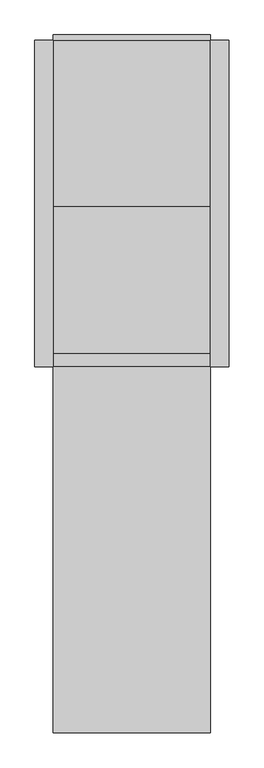
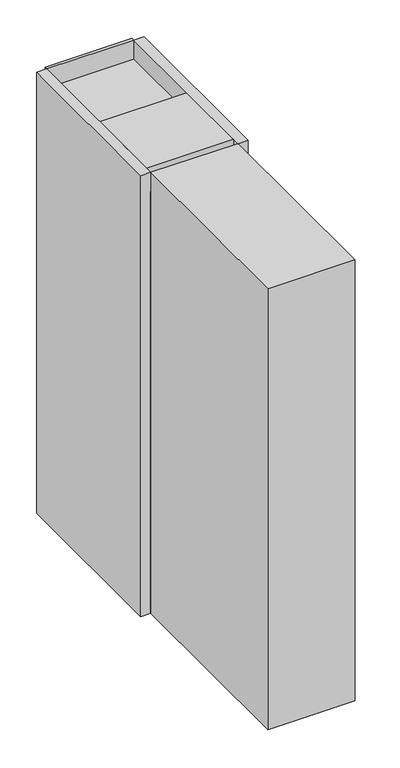
"""IFC4 building model written with IfcOpenShell, lengths in millimetres: proxy geometry."""

from ifc_helpers import new_model, si_unit, frame, origin, origin_with_axes, place, context, project, spatial, polyline, circle_curve, outline, extrude, source, transform, mapped, element, save
from ifc_brep_helpers import plane_surface, revolved_surface, advanced_brep


def electrical_equipment_2723f00b(model_context):
    return source(origin(), model_context, "Body", "SolidModel", [
        extrude(outline(polyline([(215.0, 0.0), (215.0, -890.0), (-215.0, -890.0), (-215.0, 0.0), (215.0, 0.0)])), origin_with_axes(), (0.0, 0.0, 1.0), 2200.0),
        extrude(outline(polyline([(215.0, 0.0), (265.0, 0.0), (265.0, -890.0), (215.0, -890.0), (215.0, 0.0)])), origin_with_axes(), (0.0, 0.0, 1.0), 2300.0),
        extrude(outline(polyline([(-215.0, 0.0), (-215.0, -890.0), (-265.0, -890.0), (-265.0, 0.0), (-215.0, 0.0)])), origin_with_axes(), (0.0, 0.0, 1.0), 2300.0),
        extrude(outline(polyline([(215.0, 0.0), (-215.0, 0.0), (-215.0, 15.0), (215.0, 15.0), (215.0, 0.0)])), origin_with_axes(), (0.0, 0.0, 1.0), 2300.0),
        extrude(outline(polyline([(215.0, -890.0), (215.0, -1890.0), (-215.0, -1890.0), (-215.0, -890.0), (215.0, -890.0)])), origin_with_axes(), (0.0, 0.0, 1.0), 2300.0),
        extrude(outline(polyline([(215.0, -115.0), (215.0, -829.0), (-215.0, -829.0), (-215.0, -115.0), (215.0, -115.0)])), origin_with_axes(), (0.0, 0.0, 1.0), 300.0),
        extrude(outline(polyline([(215.0, 0.0), (215.0, -115.0), (-215.0, -115.0), (-215.0, 0.0), (215.0, 0.0)])), origin_with_axes(), (0.0, 0.0, 1.0), 1800.0),
        extrude(outline(polyline([(-115.0, 1700.0), (-360.0, 1700.0), (-360.0, 1800.0), (-140.0, 1800.0), (-115.0, 1800.0), (-115.0, 1700.0)])), frame((-215.0, 0.0, 0.0), z_axis=(1.0, 0.0, 0.0), x_axis=(0.0, 1.0, 0.0)), (0.0, 0.0, 1.0), 430.0),
        extrude(outline(polyline([(-854.0, 2300.0348011), (-454.0, 2300.0348011), (-454.0, 1780.0348011), (-534.0, 1700.0348011), (-854.0, 1700.0348011), (-854.0, 2300.0348011)])), frame((-215.0, 0.0, 0.0), z_axis=(1.0, 0.0, 0.0), x_axis=(0.0, 1.0, 0.0)), (0.0, 0.0, 1.0), 430.0),
        extrude(outline(polyline([(215.0, -479.0), (215.0, -829.0), (-215.0, -829.0), (-215.0, -479.0), (215.0, -479.0)])), frame((0.0, 0.0, 300.0), z_axis=(0.0, 0.0, 1.0), x_axis=(1.0, 0.0, 0.0)), (0.0, 0.0, 1.0), 490.0348011),
        extrude(outline(polyline([(215.0, -829.0), (215.0, -890.0), (-215.0, -890.0), (-215.0, -829.0), (215.0, -829.0)])), frame((0.0, 0.0, 500.0348011), z_axis=(0.0, 0.0, 1.0), x_axis=(1.0, 0.0, 0.0)), (0.0, 0.0, 1.0), 750.0),
        extrude(outline(polyline([(215.0, -565.0), (215.0, -854.0), (-215.0, -854.0), (-215.0, -565.0), (215.0, -565.0)])), frame((0.0, 0.0, 1250.0348011), z_axis=(0.0, 0.0, 1.0), x_axis=(1.0, 0.0, 0.0)), (0.0, 0.0, 1.0), 450.0),
        extrude(outline(polyline([(-829.0, 1250.0348011), (-565.0, 1250.0348011), (-565.0, 1075.0348011), (-115.0, 1075.0348011), (-115.0, 300.0), (-479.0, 300.0), (-479.0, 790.0348011), (-829.0, 790.0348011), (-829.0, 1250.0348011)])), frame((-215.0, 0.0, 0.0), z_axis=(1.0, 0.0, 0.0), x_axis=(0.0, 1.0, 0.0)), (0.0, 0.0, 1.0), 430.0),
        extrude(outline(polyline([(215.0, -115.0), (215.0, -565.0), (-215.0, -565.0), (-215.0, -115.0), (215.0, -115.0)])), frame((0.0, 0.0, 1075.0348011), z_axis=(0.0, 0.0, 1.0), x_axis=(1.0, 0.0, 0.0)), (0.0, 0.0, 1.0), 400.0),
        advanced_brep(
        [(215.0, -115.0, 1700.0348011), (215.0, -565.0, 1700.0348011), (215.0, -565.0, 1475.0348011), (215.0, -115.0, 1475.0348011), (215.0, -138.0, 1587.5348011), (215.0, -258.0, 1587.5348011), (215.0, -281.0, 1587.5348011), (215.0, -401.0, 1587.5348011), (215.0, -424.0, 1587.5348011), (215.0, -544.0, 1587.5348011), (-215.0, -115.0, 1700.0348011), (-215.0, -115.0, 1475.0348011), (-215.0, -565.0, 1475.0348011), (-215.0, -565.0, 1700.0348011), (-215.0, -258.0, 1587.5348011), (-215.0, -138.0, 1587.5348011), (-215.0, -401.0, 1587.5348011), (-215.0, -281.0, 1587.5348011), (-215.0, -544.0, 1587.5348011), (-215.0, -424.0, 1587.5348011), (184.0222122, -258.0, 1587.5348011), (184.0222122, -138.0, 1587.5348011), (184.0222122, -401.0, 1587.5348011), (184.0222122, -281.0, 1587.5348011), (184.0222122, -544.0, 1587.5348011), (184.0222122, -424.0, 1587.5348011), (-184.0222122, -258.0, 1587.5348011), (-184.0222122, -138.0, 1587.5348011), (-184.0222122, -401.0, 1587.5348011), (-184.0222122, -281.0, 1587.5348011), (-184.0222122, -544.0, 1587.5348011), (-184.0222122, -424.0, 1587.5348011)],
        [
            (0, 1),
            (1, 2),
            (2, 3),
            (3, 0),
            (4, 5, circle_curve(frame((215.0, -198.0, 1587.5348011), z_axis=(-1.0, 0.0, 0.0), x_axis=(0.0, 1.0, 0.0)), 60.0)),
            (5, 4, circle_curve(frame((215.0, -198.0, 1587.5348011), z_axis=(-1.0, 0.0, 0.0), x_axis=(0.0, 1.0, 0.0)), 60.0)),
            (6, 7, circle_curve(frame((215.0, -341.0, 1587.5348011), z_axis=(-1.0, 0.0, 0.0), x_axis=(0.0, 1.0, 0.0)), 60.0)),
            (7, 6, circle_curve(frame((215.0, -341.0, 1587.5348011), z_axis=(-1.0, 0.0, 0.0), x_axis=(0.0, 1.0, 0.0)), 60.0)),
            (8, 9, circle_curve(frame((215.0, -484.0, 1587.5348011), z_axis=(-1.0, 0.0, 0.0), x_axis=(0.0, 1.0, 0.0)), 60.0)),
            (9, 8, circle_curve(frame((215.0, -484.0, 1587.5348011), z_axis=(-1.0, 0.0, 0.0), x_axis=(0.0, 1.0, 0.0)), 60.0)),
            (10, 11),
            (11, 12),
            (12, 13),
            (13, 10),
            (14, 15, circle_curve(frame((-215.0, -198.0, 1587.5348011), z_axis=(1.0, 0.0, 0.0), x_axis=(0.0, 1.0, 0.0)), 60.0)),
            (15, 14, circle_curve(frame((-215.0, -198.0, 1587.5348011), z_axis=(1.0, 0.0, 0.0), x_axis=(0.0, 1.0, 0.0)), 60.0)),
            (16, 17, circle_curve(frame((-215.0, -341.0, 1587.5348011), z_axis=(1.0, 0.0, 0.0), x_axis=(0.0, 1.0, 0.0)), 60.0)),
            (17, 16, circle_curve(frame((-215.0, -341.0, 1587.5348011), z_axis=(1.0, 0.0, 0.0), x_axis=(0.0, 1.0, 0.0)), 60.0)),
            (18, 19, circle_curve(frame((-215.0, -484.0, 1587.5348011), z_axis=(1.0, 0.0, 0.0), x_axis=(0.0, 1.0, 0.0)), 60.0)),
            (19, 18, circle_curve(frame((-215.0, -484.0, 1587.5348011), z_axis=(1.0, 0.0, 0.0), x_axis=(0.0, 1.0, 0.0)), 60.0)),
            (0, 10),
            (13, 1),
            (12, 2),
            (11, 3),
            (20, 21, circle_curve(frame((184.0222122, -198.0, 1587.5348011), z_axis=(1.0, 0.0, 0.0), x_axis=(0.0, 1.0, 0.0)), 60.0)),
            (21, 20, circle_curve(frame((184.0222122, -198.0, 1587.5348011), z_axis=(1.0, 0.0, 0.0), x_axis=(0.0, 1.0, 0.0)), 60.0)),
            (22, 23, circle_curve(frame((184.0222122, -341.0, 1587.5348011), z_axis=(1.0, 0.0, 0.0), x_axis=(0.0, 1.0, 0.0)), 60.0)),
            (23, 22, circle_curve(frame((184.0222122, -341.0, 1587.5348011), z_axis=(1.0, 0.0, 0.0), x_axis=(0.0, 1.0, 0.0)), 60.0)),
            (24, 25, circle_curve(frame((184.0222122, -484.0, 1587.5348011), z_axis=(1.0, 0.0, 0.0), x_axis=(0.0, 1.0, 0.0)), 60.0)),
            (25, 24, circle_curve(frame((184.0222122, -484.0, 1587.5348011), z_axis=(1.0, 0.0, 0.0), x_axis=(0.0, 1.0, 0.0)), 60.0)),
            (20, 5),
            (4, 21),
            (22, 7),
            (6, 23),
            (24, 9),
            (8, 25),
            (26, 27, circle_curve(frame((-184.0222122, -198.0, 1587.5348011), z_axis=(-1.0, 0.0, 0.0), x_axis=(0.0, 1.0, 0.0)), 60.0)),
            (27, 26, circle_curve(frame((-184.0222122, -198.0, 1587.5348011), z_axis=(-1.0, 0.0, 0.0), x_axis=(0.0, 1.0, 0.0)), 60.0)),
            (28, 29, circle_curve(frame((-184.0222122, -341.0, 1587.5348011), z_axis=(-1.0, 0.0, 0.0), x_axis=(0.0, 1.0, 0.0)), 60.0)),
            (29, 28, circle_curve(frame((-184.0222122, -341.0, 1587.5348011), z_axis=(-1.0, 0.0, 0.0), x_axis=(0.0, 1.0, 0.0)), 60.0)),
            (30, 31, circle_curve(frame((-184.0222122, -484.0, 1587.5348011), z_axis=(-1.0, 0.0, 0.0), x_axis=(0.0, 1.0, 0.0)), 60.0)),
            (31, 30, circle_curve(frame((-184.0222122, -484.0, 1587.5348011), z_axis=(-1.0, 0.0, 0.0), x_axis=(0.0, 1.0, 0.0)), 60.0)),
            (27, 15),
            (14, 26),
            (29, 17),
            (16, 28),
            (31, 19),
            (18, 30),
        ],
        [
            plane_surface(frame((215.0, -115.0, 1700.0348011), z_axis=(1.0, 0.0, 0.0), x_axis=(0.0, -1.0, 0.0))),
            plane_surface(frame((-215.0, -115.0, 1700.0348011), z_axis=(-1.0, 0.0, 0.0), x_axis=(0.0, 1.0, 0.0))),
            plane_surface(frame((215.0, -115.0, 1700.0348011), z_axis=(0.0, 0.0, 1.0), x_axis=(-1.0, 0.0, 0.0))),
            plane_surface(frame((215.0, -565.0, 1700.0348011), z_axis=(0.0, -1.0, 0.0), x_axis=(-1.0, 0.0, 0.0))),
            plane_surface(frame((215.0, -565.0, 1475.0348011), z_axis=(0.0, 0.0, -1.0), x_axis=(-1.0, 0.0, 0.0))),
            plane_surface(frame((215.0, -115.0, 1475.0348011), z_axis=(0.0, 1.0, 0.0), x_axis=(-1.0, 0.0, 0.0))),
            plane_surface(frame((184.0222122, -138.0, 1587.5348011), z_axis=(1.0, 0.0, 0.0), x_axis=(0.0, 0.0, -1.0))),
            revolved_surface(polyline([(215.0, -138.0, 1587.5348011), (184.0222122, -138.0, 1587.5348011)]), (184.0222122, -198.0, 1587.5348011), (1.0, 0.0, 0.0)),
            revolved_surface(polyline([(215.0, -281.0, 1587.5348011), (184.0222122, -281.0, 1587.5348011)]), (0.0, -341.0, 1587.5348011), (1.0, 0.0, 0.0)),
            revolved_surface(polyline([(215.0, -424.0, 1587.5348011), (184.0222122, -424.0, 1587.5348011)]), (0.0, -484.0, 1587.5348011), (1.0, 0.0, 0.0)),
            plane_surface(frame((-184.0222122, -138.0, 1587.5348011), z_axis=(-1.0, 0.0, 0.0), x_axis=(0.0, 0.0, 1.0))),
            revolved_surface(polyline([(-215.0, -138.0, 1587.5348011), (-184.0222122, -138.0, 1587.5348011)]), (-184.0222122, -198.0, 1587.5348011), (-1.0, 0.0, 0.0)),
            revolved_surface(polyline([(-215.0, -281.0, 1587.5348011), (-184.0222122, -281.0, 1587.5348011)]), (0.0, -341.0, 1587.5348011), (-1.0, 0.0, 0.0)),
            revolved_surface(polyline([(-215.0, -424.0, 1587.5348011), (-184.0222122, -424.0, 1587.5348011)]), (0.0, -484.0, 1587.5348011), (-1.0, 0.0, 0.0)),
        ],
        [
            (0, [[1, 2, 3, 4], [5, 6], [7, 8], [9, 10]]),
            (1, [[11, 12, 13, 14], [15, 16], [17, 18], [19, 20]]),
            (2, [[-1, 21, -14, 22]]),
            (3, [[-2, -22, -13, 23]]),
            (4, [[-3, -23, -12, 24]]),
            (5, [[-4, -24, -11, -21]]),
            (6, [[25, 26]]),
            (6, [[27, 28]]),
            (6, [[29, 30]]),
            (7, [[-25, 31, -5, 32]]),
            (7, [[-26, -32, -6, -31]]),
            (8, [[-27, 33, -7, 34]]),
            (8, [[-28, -34, -8, -33]]),
            (9, [[-29, 35, -9, 36]]),
            (9, [[-30, -36, -10, -35]]),
            (10, [[37, 38]]),
            (10, [[39, 40]]),
            (10, [[41, 42]]),
            (11, [[-38, 43, -15, 44]]),
            (11, [[-37, -44, -16, -43]]),
            (12, [[-40, 45, -17, 46]]),
            (12, [[-39, -46, -18, -45]]),
            (13, [[-42, 47, -19, 48]]),
            (13, [[-41, -48, -20, -47]]),
        ],
    ),
    ])


if __name__ == "__main__":
    model = new_model("IFC4")
    model_context = context("Model", 3, world=origin())
    ifc_project = project(units=[si_unit("LENGTHUNIT", "METRE", prefix="MILLI")], contexts=[model_context])
    site = spatial("IfcSite", under=ifc_project)
    building = spatial("IfcBuilding", under=site)
    placement = place(None, origin())
    electrical_equipment_shape = electrical_equipment_2723f00b(model_context)
    element("IfcBuildingElementProxy", 1, Name="Electrical Equipment", at=placement, inside=building, context=model_context, shape_type="MappedRepresentation", body=[
        mapped(electrical_equipment_shape, transform((0.0, 0.0, 0.0), x_axis=(1.0, 0.0, 0.0), y_axis=(0.0, 1.0, 0.0), z_axis=(0.0, 0.0, 1.0))),
    ])
    save(model, "model.ifc")
